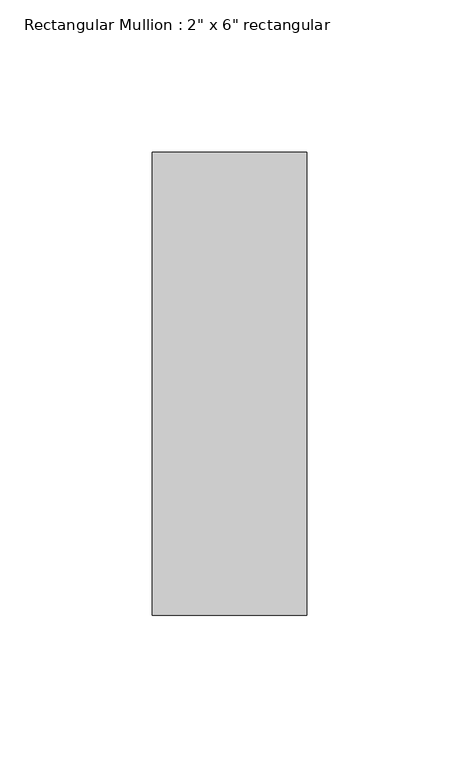
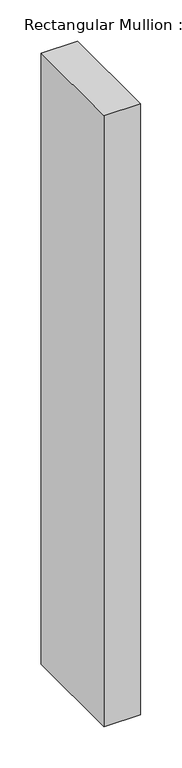
"""IFC4 building model written with IfcOpenShell, lengths in millimetres: member geometry."""

from ifc_helpers import new_model, si_unit, frame, origin, place, context, project, spatial, polyline, outline, extrude, source, transform, mapped, element, save


def member_f768ae3a(model_context):
    return source(origin(), model_context, "Body", "SweptSolid", [
        extrude(outline(polyline([(25.4, 76.2), (25.4, -76.2), (-25.4, -76.2), (-25.4, 76.2), (25.4, 76.2)])), frame((0.0, 0.0, -902.0294002), z_axis=(0.0, 0.0, 1.0), x_axis=(1.0, 0.0, 0.0)), (0.0, 0.0, 1.0), 902.0294002),
    ])


if __name__ == "__main__":
    model = new_model("IFC4")
    model_context = context("Model", 3, world=origin())
    ifc_project = project(units=[si_unit("LENGTHUNIT", "METRE", prefix="MILLI")], contexts=[model_context])
    site = spatial("IfcSite", under=ifc_project)
    building = spatial("IfcBuilding", under=site)
    placement = place(None, origin())
    member_shape = member_f768ae3a(model_context)
    element("IfcMember", 1, ObjectType="Rectangular Mullion : 2\" x 6\" rectangular", at=placement, inside=building, context=model_context, shape_type="MappedRepresentation", body=[
        mapped(member_shape, transform((0.0, 0.0, 0.0), x_axis=(1.0, 0.0, 0.0), y_axis=(0.0, 1.0, 0.0), z_axis=(0.0, 0.0, 1.0))),
    ])
    save(model, "model.ifc")
